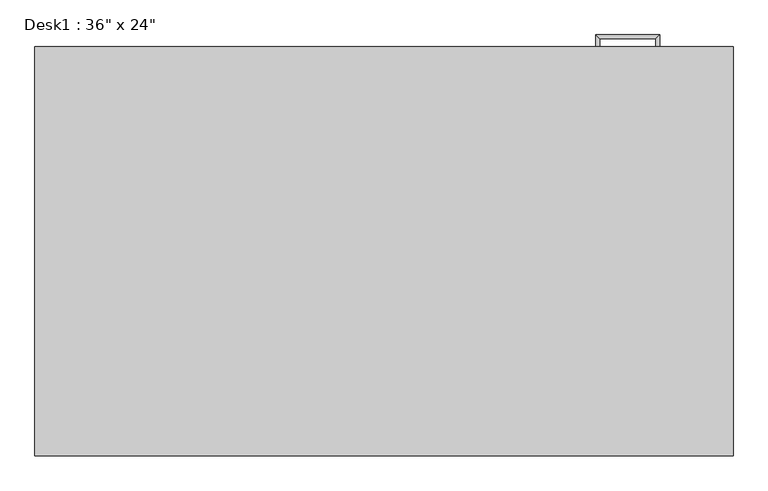
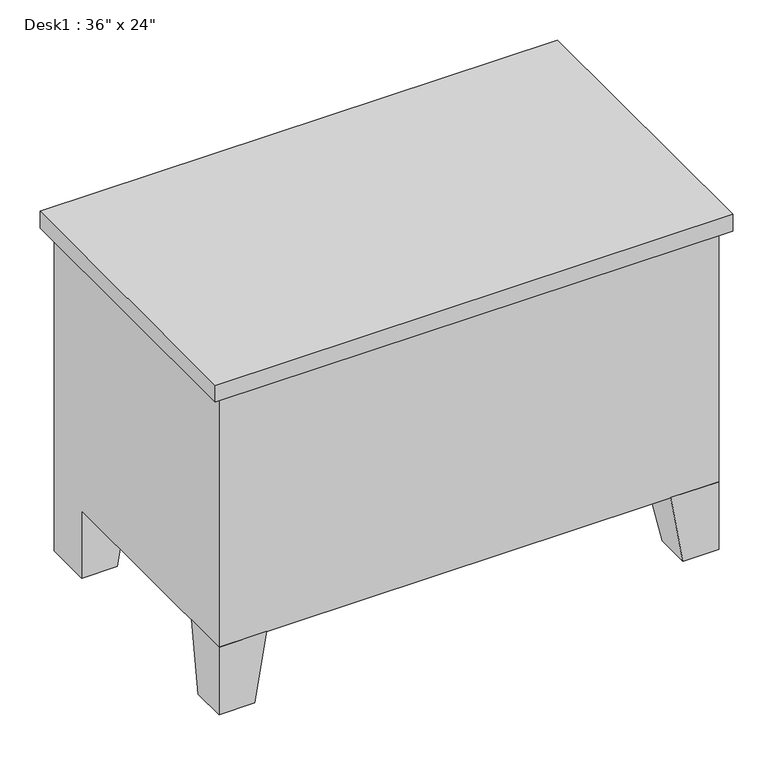
"""IFC4 building model written with IfcOpenShell, lengths in millimetres: furniture geometry."""

from ifc_helpers import new_model, si_unit, frame, origin, place, context, project, spatial, polyline, outline, extrude, faceted_brep, source, transform, mapped, element, save


def furniture_dcdf07ff(model_context):
    return source(origin(), model_context, "Body", "SolidModel", [
        extrude(outline(polyline([(1019.1786865, -76.2), (1019.1786865, -63.5), (1276.35, -63.5), (1276.35, -76.2), (1019.1786865, -76.2)])), frame((0.0, 0.0, 603.25), z_axis=(0.0, 0.0, 1.0), x_axis=(1.0, 0.0, 0.0)), (0.0, 0.0, 1.0), 101.6),
        extrude(outline(polyline([(1019.1786865, -76.2), (1019.1786865, -63.5), (1276.35, -63.5), (1276.35, -76.2), (1019.1786865, -76.2)])), frame((0.0, 0.0, 171.45), z_axis=(0.0, 0.0, 1.0), x_axis=(1.0, 0.0, 0.0)), (0.0, 0.0, 1.0), 171.45),
        extrude(outline(polyline([(1019.1786865, -76.2), (1019.1786865, -63.5), (1276.35, -63.5), (1276.35, -76.2), (1019.1786865, -76.2)])), frame((0.0, 0.0, 482.6), z_axis=(0.0, 0.0, 1.0), x_axis=(1.0, 0.0, 0.0)), (0.0, 0.0, 1.0), 101.6),
        extrude(outline(polyline([(1019.1786865, -76.2), (1019.1786865, -63.5), (1276.35, -63.5), (1276.35, -76.2), (1019.1786865, -76.2)])), frame((0.0, 0.0, 361.95), z_axis=(0.0, 0.0, 1.0), x_axis=(1.0, 0.0, 0.0)), (0.0, 0.0, 1.0), 101.6),
        faceted_brep([(330.2, -685.8, 152.4), (330.2, -584.2, 152.4), (228.6, -584.2, 152.4), (228.6, -685.8, 152.4), (304.8, -685.8, 0.0), (228.6, -685.8, 0.0), (228.6, -609.6, 0.0), (304.8, -609.6, 0.0)], [[[0, 1, 2, 3]], [[4, 5, 6, 7]], [[4, 0, 3, 5]], [[5, 3, 2, 6]], [[6, 2, 1, 7]], [[7, 1, 0, 4]]]),
        faceted_brep([(1193.8, -685.8, 152.4), (1295.4, -685.8, 152.4), (1295.4, -584.2, 152.4), (1193.8, -584.2, 152.4), (1219.2, -685.8, 0.0), (1219.2, -609.6, 0.0), (1295.4, -609.6, 0.0), (1295.4, -685.8, 0.0)], [[[0, 1, 2, 3]], [[4, 5, 6, 7]], [[4, 0, 3, 5]], [[5, 3, 2, 6]], [[6, 2, 1, 7]], [[7, 1, 0, 4]]]),
        faceted_brep([(1193.8, -76.2, 152.4), (1193.8, -177.8, 152.4), (1295.4, -177.8, 152.4), (1295.4, -76.2, 152.4), (1219.2, -76.2, 0.0), (1295.4, -76.2, 0.0), (1295.4, -152.4, 0.0), (1219.2, -152.4, 0.0)], [[[0, 1, 2, 3]], [[4, 5, 6, 7]], [[4, 0, 3, 5]], [[5, 3, 2, 6]], [[6, 2, 1, 7]], [[7, 1, 0, 4]]]),
        extrude(outline(polyline([(209.55, -57.15), (1314.45, -57.15), (1314.45, -704.85), (209.55, -704.85), (209.55, -57.15)])), frame((0.0, 0.0, 723.9), z_axis=(0.0, 0.0, 1.0), x_axis=(1.0, 0.0, 0.0)), (0.0, 0.0, 1.0), 38.1),
        faceted_brep([(1192.2143433, -63.5, 304.8), (1192.2143433, -63.5, 292.1), (1198.5643433, -63.5, 292.1), (1198.5643433, -63.5, 304.8), (1198.5643433, -38.1, 304.8), (1192.2143433, -44.45, 304.8), (1198.5643433, -38.1, 292.1), (1192.2143433, -44.45, 292.1), (1096.9643433, -38.1, 304.8), (1103.3143433, -44.45, 304.8), (1096.9643433, -38.1, 292.1), (1103.3143433, -44.45, 292.1), (1103.3143433, -63.5, 304.8), (1096.9643433, -63.5, 304.8), (1096.9643433, -63.5, 292.1), (1103.3143433, -63.5, 292.1)], [[[0, 1, 2, 3]], [[3, 4, 5, 0]], [[2, 6, 4, 3]], [[1, 7, 6, 2]], [[0, 5, 7, 1]], [[4, 8, 9, 5]], [[6, 10, 8, 4]], [[7, 11, 10, 6]], [[5, 9, 11, 7]], [[12, 13, 14, 15]], [[8, 13, 12, 9]], [[10, 14, 13, 8]], [[11, 15, 14, 10]], [[9, 12, 15, 11]]]),
        faceted_brep([(1192.2143433, -63.5, 425.45), (1192.2143433, -63.5, 412.75), (1198.5643433, -63.5, 412.75), (1198.5643433, -63.5, 425.45), (1198.5643433, -38.1, 425.45), (1192.2143433, -44.45, 425.45), (1198.5643433, -38.1, 412.75), (1192.2143433, -44.45, 412.75), (1096.9643433, -38.1, 425.45), (1103.3143433, -44.45, 425.45), (1096.9643433, -38.1, 412.75), (1103.3143433, -44.45, 412.75), (1103.3143433, -63.5, 425.45), (1096.9643433, -63.5, 425.45), (1096.9643433, -63.5, 412.75), (1103.3143433, -63.5, 412.75)], [[[0, 1, 2, 3]], [[3, 4, 5, 0]], [[2, 6, 4, 3]], [[1, 7, 6, 2]], [[0, 5, 7, 1]], [[4, 8, 9, 5]], [[6, 10, 8, 4]], [[7, 11, 10, 6]], [[5, 9, 11, 7]], [[12, 13, 14, 15]], [[8, 13, 12, 9]], [[10, 14, 13, 8]], [[11, 15, 14, 10]], [[9, 12, 15, 11]]]),
        faceted_brep([(1192.2143433, -63.5, 546.1), (1192.2143433, -63.5, 533.4), (1198.5643433, -63.5, 533.4), (1198.5643433, -63.5, 546.1), (1198.5643433, -38.1, 546.1), (1192.2143433, -44.45, 546.1), (1198.5643433, -38.1, 533.4), (1192.2143433, -44.45, 533.4), (1096.9643433, -38.1, 546.1), (1103.3143433, -44.45, 546.1), (1096.9643433, -38.1, 533.4), (1103.3143433, -44.45, 533.4), (1103.3143433, -63.5, 546.1), (1096.9643433, -63.5, 546.1), (1096.9643433, -63.5, 533.4), (1103.3143433, -63.5, 533.4)], [[[0, 1, 2, 3]], [[3, 4, 5, 0]], [[2, 6, 4, 3]], [[1, 7, 6, 2]], [[0, 5, 7, 1]], [[4, 8, 9, 5]], [[6, 10, 8, 4]], [[7, 11, 10, 6]], [[5, 9, 11, 7]], [[12, 13, 14, 15]], [[8, 13, 12, 9]], [[10, 14, 13, 8]], [[11, 15, 14, 10]], [[9, 12, 15, 11]]]),
        faceted_brep([(1192.2143433, -63.5, 666.75), (1192.2143433, -63.5, 654.05), (1198.5643433, -63.5, 654.05), (1198.5643433, -63.5, 666.75), (1198.5643433, -38.1, 666.75), (1192.2143433, -44.45, 666.75), (1198.5643433, -38.1, 654.05), (1192.2143433, -44.45, 654.05), (1096.9643433, -38.1, 666.75), (1103.3143433, -44.45, 666.75), (1096.9643433, -38.1, 654.05), (1103.3143433, -44.45, 654.05), (1103.3143433, -63.5, 666.75), (1096.9643433, -63.5, 666.75), (1096.9643433, -63.5, 654.05), (1103.3143433, -63.5, 654.05)], [[[0, 1, 2, 3]], [[3, 4, 5, 0]], [[2, 6, 4, 3]], [[1, 7, 6, 2]], [[0, 5, 7, 1]], [[4, 8, 9, 5]], [[6, 10, 8, 4]], [[7, 11, 10, 6]], [[5, 9, 11, 7]], [[12, 13, 14, 15]], [[8, 13, 12, 9]], [[10, 14, 13, 8]], [[11, 15, 14, 10]], [[9, 12, 15, 11]]]),
        faceted_brep([(330.2, -177.8, 723.9), (330.2, -76.2, 723.9), (228.6, -76.2, 723.9), (228.6, -685.8, 723.9), (1295.4, -685.8, 723.9), (1295.4, -76.2, 723.9), (1000.1286865, -76.2, 723.9), (1000.1286865, -558.8, 723.9), (238.4223686, -558.8, 723.9), (238.4223686, -177.8, 723.9), (238.4223686, -177.8, 152.4), (228.6, -177.8, 152.4), (228.6, -177.8, 0.0), (304.8, -177.8, 0.0), (330.2, -177.8, 152.4), (330.2, -76.2, 152.4), (304.8, -76.2, 0.0), (228.6, -76.2, 0.0), (228.6, -685.8, 152.4), (1000.1286865, -76.2, 152.4), (1295.4, -76.2, 152.4), (1295.4, -685.8, 152.4), (238.4223686, -558.8, 152.4), (1000.1286865, -558.8, 152.4)], [[[0, 1, 2, 3, 4, 5, 6, 7, 8, 9]], [[9, 10, 11, 12, 13, 14, 0]], [[1, 15, 16, 17, 2]], [[0, 14, 15, 1]], [[16, 13, 12, 17]], [[16, 15, 14, 13]], [[12, 11, 18, 3, 2, 17]], [[19, 20, 21, 18, 11, 10, 22, 23]], [[5, 20, 19, 6]], [[4, 21, 20, 5]], [[3, 18, 21, 4]], [[22, 10, 9, 8]], [[7, 23, 22, 8]], [[6, 19, 23, 7]]]),
    ])


if __name__ == "__main__":
    model = new_model("IFC4")
    model_context = context("Model", 3, world=origin())
    ifc_project = project(units=[si_unit("LENGTHUNIT", "METRE", prefix="MILLI")], contexts=[model_context])
    site = spatial("IfcSite", under=ifc_project)
    building = spatial("IfcBuilding", under=site)
    placement = place(None, origin())
    furniture_shape = furniture_dcdf07ff(model_context)
    element("IfcFurniture", 1, ObjectType="Desk1 : 36\" x 24\"", at=placement, inside=building, context=model_context, shape_type="MappedRepresentation", body=[
        mapped(furniture_shape, transform((0.0, 0.0, 0.0), x_axis=(1.0, 0.0, 0.0), y_axis=(0.0, 1.0, 0.0), z_axis=(0.0, 0.0, 1.0))),
    ])
    save(model, "model.ifc")
